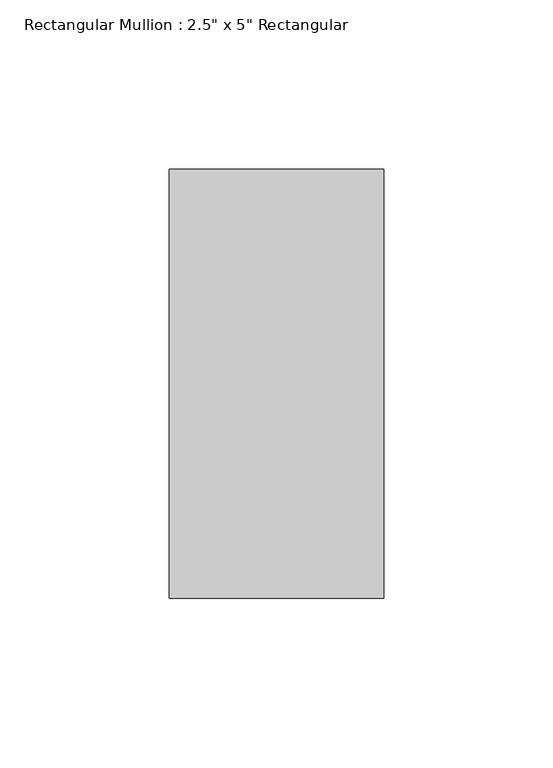
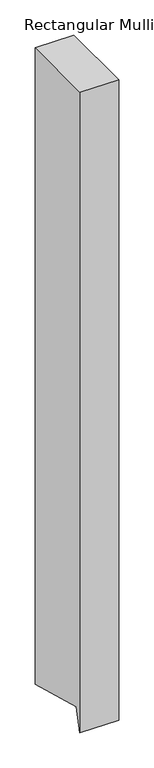
"""IFC4 building model written with IfcOpenShell, lengths in millimetres: member geometry."""

from ifc_helpers import new_model, si_unit, frame, origin, place, context, project, spatial, polyline, outline, extrude, source, transform, mapped, element, save


def member_0cfb68b1(model_context):
    return source(origin(), model_context, "Body", "SweptSolid", [
        extrude(outline(polyline([(-63.5, 0.0), (63.5, 0.0), (63.5, -1103.9654292), (-53.1187853, -1072.7175199), (-63.5, -1111.4607406), (-63.5, 0.0)])), frame((-63.5, 0.0, 0.0), z_axis=(1.0, 0.0, 0.0), x_axis=(0.0, 1.0, 0.0)), (0.0, 0.0, 1.0), 63.5),
    ])


if __name__ == "__main__":
    model = new_model("IFC4")
    model_context = context("Model", 3, world=origin())
    ifc_project = project(units=[si_unit("LENGTHUNIT", "METRE", prefix="MILLI")], contexts=[model_context])
    site = spatial("IfcSite", under=ifc_project)
    building = spatial("IfcBuilding", under=site)
    placement = place(None, origin())
    member_shape = member_0cfb68b1(model_context)
    element("IfcMember", 1, ObjectType="Rectangular Mullion : 2.5\" x 5\" Rectangular", at=placement, inside=building, context=model_context, shape_type="MappedRepresentation", body=[
        mapped(member_shape, transform((0.0, 0.0, 0.0), x_axis=(1.0, 0.0, 0.0), y_axis=(0.0, 1.0, 0.0), z_axis=(0.0, 0.0, 1.0))),
    ])
    save(model, "model.ifc")
